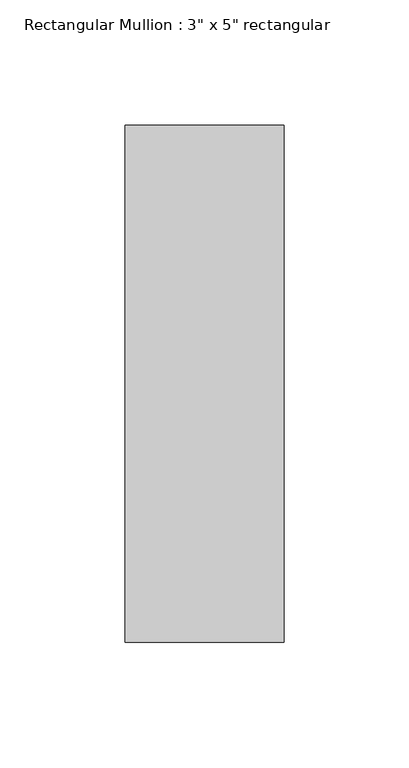
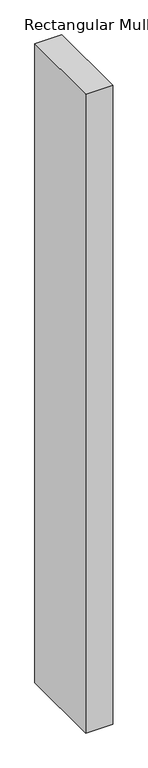
"""IFC4 building model written with IfcOpenShell, lengths in millimetres: member geometry."""

import ifcopenshell
import ifcopenshell.guid

model = None  # the IFC model being written
_history = None  # IfcOwnerHistory: only IFC2X3 demands one
_inside = {}  # id of a spatial element -> (the spatial element, [elements in it])
_under = {}  # id of a project, library or spatial element -> (it, [spatial elements below it])
_declared = {}  # id of a project -> (the project, [libraries it declares])
_typed = {}  # id of a type object -> (the type object, [elements of that type])
_made_of = {}  # id of a material, layer set ... -> (it, [elements and type objects made of it])


def new_model(schema):
    """Start an empty IFC model of exactly this schema.

    Asked for "IFC4X3", IfcOpenShell would pick the latest addendum, in which some entities
    have other attributes; the version numbers below select the first issue.
    IFC2X3 requires an IfcOwnerHistory on every rooted entity: one is made here for all.
    """
    global model, _history
    if schema == "IFC4X3":
        model = ifcopenshell.file(schema_version=(4, 3, 0, 0))
    else:
        model = ifcopenshell.file(schema=schema)
    _inside.clear()
    _under.clear()
    _declared.clear()
    _typed.clear()
    _made_of.clear()
    _history = None
    if model.schema == "IFC2X3":
        org = make("IfcOrganization", Name="unknown")
        user = make(
            "IfcPersonAndOrganization",
            ThePerson=make("IfcPerson", FamilyName="unknown"),
            TheOrganization=org,
        )
        app = make(
            "IfcApplication",
            ApplicationDeveloper=org,
            Version="unknown",
            ApplicationFullName="unknown",
            ApplicationIdentifier="unknown",
        )
        _history = make(
            "IfcOwnerHistory",
            OwningUser=user,
            OwningApplication=app,
            ChangeAction="ADDED",
            CreationDate=0,
        )
    return model


def make(cls, **values):
    """One entity of the class cls with the attributes given. An attribute that is None is left unset."""
    return model.create_entity(
        cls, **{name: value for name, value in values.items() if value is not None}
    )


def rooted(cls, **values):
    """An entity with a GlobalId (a new one), such as an element, a storey or a relation."""
    return make(cls, GlobalId=ifcopenshell.guid.new(), OwnerHistory=_history, **values)


def si_unit(unit_type, name, prefix=None):
    """IfcSIUnit, for example si_unit("LENGTHUNIT", "METRE", prefix="MILLI")."""
    return make("IfcSIUnit", UnitType=unit_type, Prefix=prefix, Name=name)


def assignment(units):
    """IfcUnitAssignment: the units of a project."""
    return None if units is None else make("IfcUnitAssignment", Units=units)


def point(xyz):
    """IfcCartesianPoint."""
    return None if xyz is None else make("IfcCartesianPoint", Coordinates=xyz)


def direction(xyz):
    """IfcDirection."""
    return None if xyz is None else make("IfcDirection", DirectionRatios=xyz)


def frame(location, z_axis=None, x_axis=None):
    """IfcAxis2Placement3D, a coordinate frame: its origin and axes. An axis left out is left unset."""
    return make(
        "IfcAxis2Placement3D",
        Location=point(location),
        Axis=direction(z_axis),
        RefDirection=direction(x_axis),
    )


def origin():
    """The frame at (0, 0, 0) with its axes left unset."""
    return frame((0.0, 0.0, 0.0))


def place(relative_to, where):
    """IfcLocalPlacement: puts the frame where relative to a parent placement (None: the world)."""
    return make(
        "IfcLocalPlacement", PlacementRelTo=relative_to, RelativePlacement=where
    )


def context(
    kind, dimensions, precision=None, world=None, true_north=None, identifier=None
):
    """IfcGeometricRepresentationContext, for example the 3D "Model" context."""
    return make(
        "IfcGeometricRepresentationContext",
        ContextIdentifier=identifier,
        ContextType=kind,
        CoordinateSpaceDimension=dimensions,
        Precision=precision,
        WorldCoordinateSystem=world,
        TrueNorth=true_north,
    )


def project(units=None, contexts=None):
    """IfcProject with its units and contexts."""
    return rooted(
        "IfcProject",
        Name="project",
        RepresentationContexts=contexts,
        UnitsInContext=assignment(units),
    )


def spatial(cls, under=None, at=None, **own):
    """A site, building, storey or space (cls), placed at a placement, below another one or the project."""
    s = rooted(cls, ObjectPlacement=at, **own)
    if under is not None:
        _under.setdefault(under.id(), (under, []))[1].append(s)
    return s


def polyline(points):
    """IfcPolyline through the points."""
    return make("IfcPolyline", Points=[point(p) for p in points])


def outline(outer, holes=None, kind="AREA"):
    """IfcArbitraryClosedProfileDef: a profile drawn as a closed curve; with holes, ...WithVoids."""
    if holes is None:
        return make("IfcArbitraryClosedProfileDef", ProfileType=kind, OuterCurve=outer)
    return make(
        "IfcArbitraryProfileDefWithVoids",
        ProfileType=kind,
        OuterCurve=outer,
        InnerCurves=holes,
    )


def extrude(swept, where, along, depth):
    """IfcExtrudedAreaSolid: the profile swept, set in the frame where, extruded along a direction by depth."""
    return make(
        "IfcExtrudedAreaSolid",
        SweptArea=swept,
        Position=where,
        ExtrudedDirection=direction(along),
        Depth=depth,
    )


def shape(context_of_items, identifier, shape_type, items):
    """IfcShapeRepresentation: the items that make up one representation, for example the "Body"."""
    return make(
        "IfcShapeRepresentation",
        ContextOfItems=context_of_items,
        RepresentationIdentifier=identifier,
        RepresentationType=shape_type,
        Items=items,
    )


def source(mapping_origin, context_of_items, identifier, shape_type, items):
    """IfcRepresentationMap: a shape defined once, which mapped items show again and again."""
    return make(
        "IfcRepresentationMap",
        MappingOrigin=mapping_origin,
        MappedRepresentation=shape(context_of_items, identifier, shape_type, items),
    )


def transform(
    local_origin,
    x_axis=None,
    y_axis=None,
    z_axis=None,
    scale=None,
    scale2=None,
    scale3=None,
    uniform=True,
):
    """IfcCartesianTransformationOperator3D, or its non-uniform kind. x_axis, y_axis, z_axis: its Axis1, 2, 3."""
    if uniform:
        return make(
            "IfcCartesianTransformationOperator3D",
            Axis1=direction(x_axis),
            Axis2=direction(y_axis),
            LocalOrigin=point(local_origin),
            Scale=scale,
            Axis3=direction(z_axis),
        )
    return make(
        "IfcCartesianTransformationOperator3DnonUniform",
        Axis1=direction(x_axis),
        Axis2=direction(y_axis),
        LocalOrigin=point(local_origin),
        Scale=scale,
        Axis3=direction(z_axis),
        Scale2=scale2,
        Scale3=scale3,
    )


def mapped(mapping_source, mapping_target):
    """IfcMappedItem: shows the shape of a source again, moved by a transform."""
    return make(
        "IfcMappedItem", MappingSource=mapping_source, MappingTarget=mapping_target
    )


def made_of(thing, what):
    """Note that an element or type object is made of a material, layer set ...; save() writes the relation."""
    if what is not None:
        _made_of.setdefault(what.id(), (what, []))[1].append(thing)
    return thing


def element(
    cls,
    number,
    at=None,
    inside=None,
    cuts=None,
    type_object=None,
    material=None,
    context=None,
    identifier="Body",
    shape_type=None,
    held_by="IfcProductDefinitionShape",
    body=None,
    shapes=None,
    **own,
):
    """One element of the class cls, such as IfcWall. Its Tag is "e" and its number.

    at: its placement. inside: the storey or other place that contains it. cuts: it is an
    opening in that element (IfcRelVoidsElement). A single representation is given by context,
    identifier, shape_type and body (its items); several are given by shapes. held_by: the class
    of the entity that holds the representations. save() writes the other relations.
    """
    e = rooted(cls, Tag="e%d" % number, ObjectPlacement=at, **own)
    if body is not None:
        shapes = [shape(context, identifier, shape_type, body)]
    if shapes is not None:
        e.Representation = make(held_by, Representations=shapes)
    if inside is not None:
        _inside.setdefault(inside.id(), (inside, []))[1].append(e)
    if cuts is not None:
        rooted(
            "IfcRelVoidsElement", RelatingBuildingElement=cuts, RelatedOpeningElement=e
        )
    if type_object is not None:
        _typed.setdefault(type_object.id(), (type_object, []))[1].append(e)
    return made_of(e, material)


def aggregate(whole, parts):
    """IfcRelAggregates: a whole, such as a stair, and the parts it consists of."""
    return rooted("IfcRelAggregates", RelatingObject=whole, RelatedObjects=parts)


def save(model, path):
    """Write the relations noted so far, then the file.

    IfcRelAggregates (storeys below a building ...), IfcRelContainedInSpatialStructure (elements
    in a storey), IfcRelDefinesByType, IfcRelAssociatesMaterial and IfcRelDeclares: one each for
    every whole, place, type object, material and project.
    """
    for whole, parts in _under.values():
        aggregate(whole, parts)
    for where, things in _inside.values():
        rooted(
            "IfcRelContainedInSpatialStructure",
            RelatedElements=things,
            RelatingStructure=where,
        )
    for kind, things in _typed.values():
        rooted("IfcRelDefinesByType", RelatedObjects=things, RelatingType=kind)
    for what, things in _made_of.values():
        rooted("IfcRelAssociatesMaterial", RelatedObjects=things, RelatingMaterial=what)
    for by, libraries in _declared.values():
        rooted("IfcRelDeclares", RelatingContext=by, RelatedDefinitions=libraries)
    model.write(path)


def member_757c2b98(model_context):
    return source(origin(), model_context, "Body", "SweptSolid", [
        extrude(outline(polyline([(31.75, 90.551), (31.75, -115.951), (-31.75, -115.951), (-31.75, 90.551), (31.75, 90.551)])), frame((0.0, 0.0, -1587.5), z_axis=(0.0, 0.0, 1.0), x_axis=(1.0, 0.0, 0.0)), (0.0, 0.0, 1.0), 1587.5),
    ])


if __name__ == "__main__":
    model = new_model("IFC4")
    model_context = context("Model", 3, world=origin())
    ifc_project = project(units=[si_unit("LENGTHUNIT", "METRE", prefix="MILLI")], contexts=[model_context])
    site = spatial("IfcSite", under=ifc_project)
    building = spatial("IfcBuilding", under=site)
    placement = place(None, origin())
    member_shape = member_757c2b98(model_context)
    element("IfcMember", 1, ObjectType="Rectangular Mullion : 3\" x 5\" rectangular", at=placement, inside=building, context=model_context, shape_type="MappedRepresentation", body=[
        mapped(member_shape, transform((0.0, 0.0, 0.0), x_axis=(1.0, 0.0, 0.0), y_axis=(0.0, 1.0, 0.0), z_axis=(0.0, 0.0, 1.0))),
    ])
    save(model, "model.ifc")
